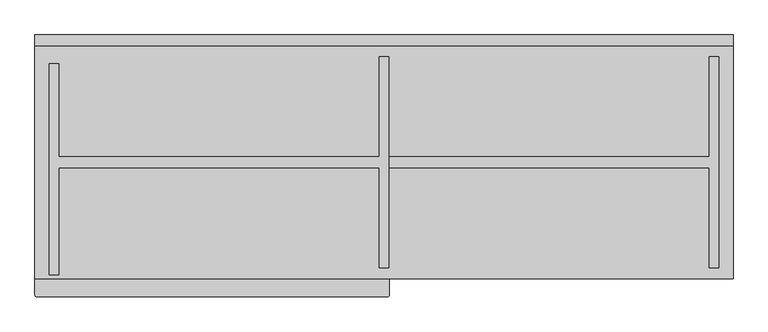
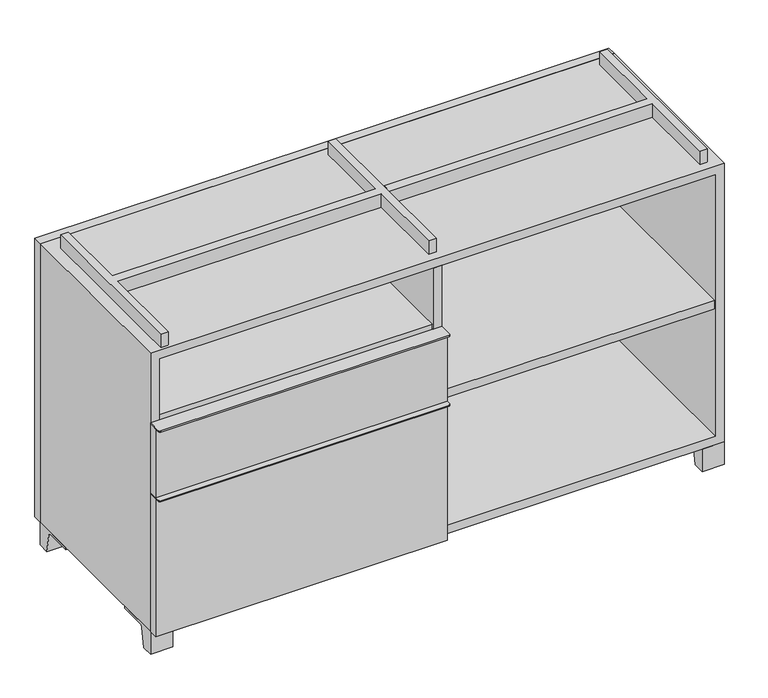
"""IFC4 building model written with IfcOpenShell, lengths in millimetres: furniture geometry."""

from ifc_helpers import new_model, si_unit, point, frame, frame_2d, origin, place, context, project, spatial, polyline, circle_curve, trimmed, segment, composite_curve, outline, extrude, source, transform, mapped, element, save


def furniture_6bd8ad9d(model_context):
    return source(origin(), model_context, "Body", "SweptSolid", [
        extrude(outline(polyline([(-9.5111094, 234.95), (-9.5111094, -136.525), (-590.5361094, -136.525), (-590.5361094, 234.95), (-9.5111094, 234.95)])), frame((0.0, 0.0, 510.38125), z_axis=(0.0, 0.0, 1.0), x_axis=(1.0, 0.0, 0.0)), (0.0, 0.0, 1.0), 19.05),
        extrude(outline(composite_curve([segment(polyline([(9.5388906, -139.7), (9.5388906, -168.275)]), True, "CONTINUOUS"), segment(trimmed(circle_curve(frame_2d((6.3638906, -168.275)), 3.175), [point((9.5388906, -168.275))], [point((6.3638906, -171.45))], False, "CARTESIAN"), True, "CONTINUOUS"), segment(polyline([(6.3638906, -171.45), (-606.4111094, -171.45)]), True, "CONTINUOUS"), segment(trimmed(circle_curve(frame_2d((-606.4111094, -168.275)), 3.175), [point((-606.4111094, -171.45))], [point((-609.5861094, -168.275))], False, "CARTESIAN"), True, "CONTINUOUS"), segment(polyline([(-609.5861094, -168.275), (-609.5861094, -139.7), (9.5388906, -139.7)]), True, "CONTINUOUS")], self_intersect=False)), frame((0.0, 0.0, 517.525), z_axis=(0.0, 0.0, 1.0), x_axis=(1.0, 0.0, 0.0)), (0.0, 0.0, 1.0), 2.38125),
        extrude(outline(polyline([(9.5388906, -139.7), (9.5388906, -158.75), (-609.5861094, -158.75), (-609.5861094, -139.7), (9.5388906, -139.7)])), frame((0.0, 0.0, 363.5375), z_axis=(0.0, 0.0, 1.0), x_axis=(1.0, 0.0, 0.0)), (0.0, 0.0, 1.0), 153.9875),
        extrude(outline(composite_curve([segment(polyline([(9.5388906, -139.7), (9.5388906, -168.275)]), True, "CONTINUOUS"), segment(trimmed(circle_curve(frame_2d((6.3638906, -168.275)), 3.175), [point((9.5388906, -168.275))], [point((6.3638906, -171.45))], False, "CARTESIAN"), True, "CONTINUOUS"), segment(polyline([(6.3638906, -171.45), (-606.4111094, -171.45)]), True, "CONTINUOUS"), segment(trimmed(circle_curve(frame_2d((-606.4111094, -168.275)), 3.175), [point((-606.4111094, -171.45))], [point((-609.5861094, -168.275))], False, "CARTESIAN"), True, "CONTINUOUS"), segment(polyline([(-609.5861094, -168.275), (-609.5861094, -139.7), (9.5388906, -139.7)]), True, "CONTINUOUS")], self_intersect=False)), frame((0.0, 0.0, 361.15625), z_axis=(0.0, 0.0, 1.0), x_axis=(1.0, 0.0, 0.0)), (0.0, 0.0, 1.0), 2.38125),
        extrude(outline(polyline([(9.5388906, -139.7), (9.5388906, -158.75), (-609.5861094, -158.75), (-609.5861094, -139.7), (9.5388906, -139.7)])), frame((0.0, 0.0, 50.8), z_axis=(0.0, 0.0, 1.0), x_axis=(1.0, 0.0, 0.0)), (0.0, 0.0, 1.0), 310.35625),
        extrude(outline(polyline([(590.5569453, 234.95), (590.5569453, -136.525), (9.5319453, -136.525), (9.5319453, 234.95), (590.5569453, 234.95)])), frame((0.0, 0.0, 354.0125), z_axis=(0.0, 0.0, 1.0), x_axis=(1.0, 0.0, 0.0)), (0.0, 0.0, 1.0), 19.05),
        extrude(outline(composite_curve([segment(polyline([(-114.3000136, 0.0), (-139.7, 0.0), (-139.7, 50.8), (-44.45, 50.8), (-44.45, 46.0213321), (-101.2505345, 46.0213321)]), True, "CONTINUOUS"), segment(trimmed(circle_curve(frame_2d((-101.2505345, 39.6713321)), 6.35), [point((-101.2505345, 46.0213321))], [point((-107.5141359, 40.7152656))], True, "CARTESIAN"), True, "CONTINUOUS"), segment(polyline([(-107.5141359, 40.7152656), (-114.3000136, 0.0)]), True, "CONTINUOUS")], self_intersect=False)), frame((561.9888906, 0.0, 0.0), z_axis=(1.0, 0.0, 0.0), x_axis=(0.0, 1.0, 0.0)), (0.0, 0.0, 1.0), 47.625),
        extrude(outline(composite_curve([segment(polyline([(241.3000136, 0.0), (234.5141359, 40.7152656)]), True, "CONTINUOUS"), segment(trimmed(circle_curve(frame_2d((228.2505345, 39.6713321)), 6.35), [point((234.5141359, 40.7152656))], [point((228.2505345, 46.0213321))], True, "CARTESIAN"), True, "CONTINUOUS"), segment(polyline([(228.2505345, 46.0213321), (171.45, 46.0213321), (171.45, 50.8), (266.7, 50.8), (266.7, 0.0), (241.3000136, 0.0)]), True, "CONTINUOUS")], self_intersect=False)), frame((561.9888906, 0.0, 0.0), z_axis=(1.0, 0.0, 0.0), x_axis=(0.0, 1.0, 0.0)), (0.0, 0.0, 1.0), 47.625),
        extrude(outline(composite_curve([segment(polyline([(-114.3000136, 0.0), (-139.7, 0.0), (-139.7, 50.8), (-44.45, 50.8), (-44.45, 46.0213321), (-101.2505345, 46.0213321)]), True, "CONTINUOUS"), segment(trimmed(circle_curve(frame_2d((-101.2505345, 39.6713321)), 6.35), [point((-101.2505345, 46.0213321))], [point((-107.5141359, 40.7152656))], True, "CARTESIAN"), True, "CONTINUOUS"), segment(polyline([(-107.5141359, 40.7152656), (-114.3000136, 0.0)]), True, "CONTINUOUS")], self_intersect=False)), frame((-609.5861094, 0.0, 0.0), z_axis=(1.0, 0.0, 0.0), x_axis=(0.0, 1.0, 0.0)), (0.0, 0.0, 1.0), 47.625),
        extrude(outline(composite_curve([segment(polyline([(241.3000136, 0.0), (234.5141359, 40.7152656)]), True, "CONTINUOUS"), segment(trimmed(circle_curve(frame_2d((228.2505345, 39.6713321)), 6.35), [point((234.5141359, 40.7152656))], [point((228.2505345, 46.0213321))], True, "CARTESIAN"), True, "CONTINUOUS"), segment(polyline([(228.2505345, 46.0213321), (171.45, 46.0213321), (171.45, 50.8), (266.7, 50.8), (266.7, 0.0), (241.3000136, 0.0)]), True, "CONTINUOUS")], self_intersect=False)), frame((-609.5861094, 0.0, 0.0), z_axis=(1.0, 0.0, 0.0), x_axis=(0.0, 1.0, 0.0)), (0.0, 0.0, 1.0), 47.625),
        extrude(outline(polyline([(-584.1791641, -133.35), (-584.1791641, 234.95), (-568.3041641, 234.95), (-568.3041641, 73.025), (-7.9236094, 73.025), (-7.9236094, 247.65), (7.9513906, 247.65), (7.9513906, -120.65), (-7.9236094, -120.65), (-7.9236094, 53.975), (-568.3041641, 53.975), (-568.3041641, -133.35), (-584.1791641, -133.35)])), frame((0.0, 0.0, 676.275), z_axis=(0.0, 0.0, 1.0), x_axis=(1.0, 0.0, 0.0)), (0.0, 0.0, 1.0), 30.1625),
        extrude(outline(polyline([(9.5388906, 73.025), (568.3111094, 73.025), (568.3111094, 247.65), (584.1861094, 247.65), (584.1861094, -120.65), (568.3111094, -120.65), (568.3111094, 53.975), (9.5388906, 53.975), (9.5388906, 73.025)])), frame((0.0, 0.0, 676.275), z_axis=(0.0, 0.0, 1.0), x_axis=(1.0, 0.0, 0.0)), (0.0, 0.0, 1.0), 30.1625),
        extrude(outline(polyline([(9.5388906, 234.95), (9.5388906, -139.7), (-9.5111094, -139.7), (-9.5111094, 234.95), (9.5388906, 234.95)])), frame((0.0, 0.0, 69.85), z_axis=(0.0, 0.0, 1.0), x_axis=(1.0, 0.0, 0.0)), (0.0, 0.0, 1.0), 587.375),
        extrude(outline(polyline([(609.6138906, 266.7), (-609.5861094, 266.7), (-609.5861094, 285.75), (609.6138906, 285.75), (609.6138906, 266.7)])), frame((0.0, 0.0, 50.8), z_axis=(0.0, 0.0, 1.0), x_axis=(1.0, 0.0, 0.0)), (0.0, 0.0, 1.0), 625.475),
        extrude(outline(polyline([(50.8, -609.5861094), (50.8, 609.6), (676.275, 609.6), (676.275, -609.5861094), (50.8, -609.5861094)]), holes=[polyline([(69.85, -590.5361094), (657.225, -590.5361094), (657.225, 590.5361094), (69.85, 590.5361094), (69.85, -590.5361094)])]), frame((0.0, -139.7, 0.0), z_axis=(0.0, 1.0, 0.0), x_axis=(0.0, 0.0, 1.0)), (0.0, 0.0, 1.0), 406.4),
        extrude(outline(polyline([(-590.5291641, 234.95), (-590.5291641, 241.3), (590.5569453, 241.3), (590.5569453, 234.95), (-590.5291641, 234.95)])), frame((0.0, 0.0, 69.85), z_axis=(0.0, 0.0, 1.0), x_axis=(1.0, 0.0, 0.0)), (0.0, 0.0, 1.0), 587.375),
    ])


if __name__ == "__main__":
    model = new_model("IFC4")
    model_context = context("Model", 3, world=origin())
    ifc_project = project(units=[si_unit("LENGTHUNIT", "METRE", prefix="MILLI")], contexts=[model_context])
    site = spatial("IfcSite", under=ifc_project)
    building = spatial("IfcBuilding", under=site)
    placement = place(None, origin())
    furniture_shape = furniture_6bd8ad9d(model_context)
    element("IfcFurniture", 1, at=placement, inside=building, context=model_context, shape_type="MappedRepresentation", body=[
        mapped(furniture_shape, transform((0.0, 0.0, 0.0), x_axis=(1.0, 0.0, 0.0), y_axis=(0.0, 1.0, 0.0), z_axis=(0.0, 0.0, 1.0))),
    ])
    save(model, "model.ifc")
